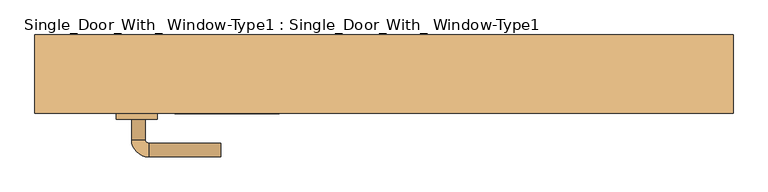
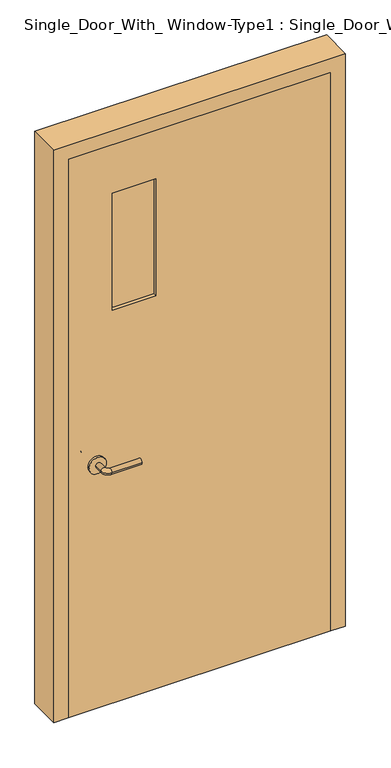
"""IFC4 building model written with IfcOpenShell, lengths in millimetres: door geometry, Single_Door_With_ Window-Type1 : Single_Door_With_ Window-Type1."""

from ifc_helpers import new_model, si_unit, point, frame, frame_2d, origin, place, context, project, spatial, polyline, circle_curve, ellipse_curve, trimmed, segment, composite_curve, outline, extrude, faceted_brep, source, transform, mapped, element, save
from ifc_brep_helpers import plane_surface, cylinder_surface, revolved_surface, advanced_brep


def single_door_with_window_type1_single_door_with_window_type1_6ece31e4(model_context):
    return source(origin(), model_context, "Body", "SolidModel", [
        advanced_brep(
        [(-367.2, -11.05, 900.0), (-347.2, -11.05, 900.0), (-367.2, 18.95, 900.0), (-347.2, 18.95, 900.0), (-342.2, 23.95, 900.0), (-342.2, 43.95, 900.0), (-237.2, 43.95, 900.0), (-237.2, 23.95, 900.0)],
        [
            (0, 1, circle_curve(frame((-357.2, -11.05, 900.0), z_axis=(0.0, -1.0, 0.0), x_axis=(1.0, 0.0, 0.0)), 10.0)),
            (1, 0, circle_curve(frame((-357.2, -11.05, 900.0), z_axis=(0.0, -1.0, 0.0), x_axis=(1.0, 0.0, 0.0)), 10.0)),
            (0, 2),
            (2, 3, circle_curve(frame((-357.2, 18.95, 900.0), z_axis=(0.0, -1.0, 0.0), x_axis=(1.0, 0.0, 0.0)), 10.0)),
            (3, 1),
            (3, 2, circle_curve(frame((-357.2, 18.95, 900.0), z_axis=(0.0, -1.0, 0.0), x_axis=(1.0, 0.0, 0.0)), 10.0)),
            (4, 3, circle_curve(frame((-342.2, 18.95, 900.0), z_axis=(0.0, 0.0, 1.0), x_axis=(-1.0, 0.0, 0.0)), 5.0)),
            (2, 5, circle_curve(frame((-342.2, 18.95, 900.0), z_axis=(0.0, 0.0, -1.0), x_axis=(-1.0, 0.0, 0.0)), 25.0)),
            (5, 4, circle_curve(frame((-342.2, 33.95, 900.0), z_axis=(-1.0, 0.0, 0.0), x_axis=(0.0, -1.0, 0.0)), 10.0)),
            (4, 5, circle_curve(frame((-342.2, 33.95, 900.0), z_axis=(-1.0, 0.0, 0.0), x_axis=(0.0, -1.0, 0.0)), 10.0)),
            (6, 7, circle_curve(frame((-237.2, 33.95, 900.0), z_axis=(1.0, 0.0, 0.0), x_axis=(0.0, -1.0, 0.0)), 10.0)),
            (7, 6, circle_curve(frame((-237.2, 33.95, 900.0), z_axis=(1.0, 0.0, 0.0), x_axis=(0.0, -1.0, 0.0)), 10.0)),
            (5, 6),
            (7, 4),
        ],
        [
            plane_surface(frame((-357.2, -11.05, 900.0), z_axis=(0.0, -1.0, 0.0), x_axis=(0.0, 0.0, 1.0))),
            cylinder_surface(frame((-357.2, -11.05, 900.0), z_axis=(0.0, -1.0, 0.0), x_axis=(1.0, 0.0, 0.0)), 10.0),
            revolved_surface(trimmed(ellipse_curve(frame((-357.2, 18.95, 900.0), z_axis=(0.0, -1.0, 0.0), x_axis=(1.0, 0.0, 0.0)), 10.0, 10.0), [point((-367.2, 18.95, 900.0))], [point((-347.2, 18.95, 900.0))], True, "CARTESIAN"), (-342.2, 18.95, 900.0), (0.0, 0.0, -1.0)),
            revolved_surface(trimmed(ellipse_curve(frame((-357.2, 18.95, 900.0), z_axis=(0.0, -1.0, 0.0), x_axis=(1.0, 0.0, 0.0)), 10.0, 10.0), [point((-347.2, 18.95, 900.0))], [point((-367.2, 18.95, 900.0))], True, "CARTESIAN"), (-342.2, 18.95, 900.0), (0.0, 0.0, -1.0)),
            plane_surface(frame((-237.2, 33.95, 900.0), z_axis=(1.0, 0.0, 0.0), x_axis=(0.0, 0.0, 1.0))),
            cylinder_surface(frame((-342.2, 33.95, 900.0), z_axis=(-1.0, 0.0, 0.0), x_axis=(0.0, -1.0, 0.0)), 10.0),
        ],
        [
            (0, [[1, 2]]),
            (1, [[-1, 3, 4, 5]]),
            (1, [[-2, -5, 6, -3]]),
            (2, [[7, -4, 8, 9]]),
            (3, [[-8, -6, -7, 10]]),
            (4, [[11, 12]]),
            (5, [[-9, 13, -12, 14]]),
            (5, [[-10, -14, -11, -13]]),
        ],
    ),
        extrude(outline(composite_curve([segment(trimmed(circle_curve(frame_2d((900.0, -359.7)), 30.0), [point((900.0, -389.7))], [point((900.0, -329.7))], False, "CARTESIAN"), True, "CONTINUOUS"), segment(trimmed(circle_curve(frame_2d((900.0, -359.7)), 30.0), [point((900.0, -329.7))], [point((900.0, -389.7))], False, "CARTESIAN"), True, "CONTINUOUS")], self_intersect=False)), frame((0.0, -19.05, 0.0), z_axis=(0.0, 1.0, 0.0), x_axis=(0.0, 0.0, 1.0)), (0.0, 0.0, 1.0), 8.0),
        advanced_brep(
        [(-367.2, -65.15, 900.0), (-347.2, -65.15, 900.0), (-347.2, -95.15, 900.0), (-367.2, -95.15, 900.0), (-342.2, -100.15, 900.0), (-342.2, -120.15, 900.0), (-237.2, -120.15, 900.0), (-237.2, -100.15, 900.0)],
        [
            (0, 1, circle_curve(frame((-357.2, -65.15, 900.0), z_axis=(0.0, 1.0, 0.0), x_axis=(1.0, 0.0, 0.0)), 10.0)),
            (1, 0, circle_curve(frame((-357.2, -65.15, 900.0), z_axis=(0.0, 1.0, 0.0), x_axis=(1.0, 0.0, 0.0)), 10.0)),
            (1, 2),
            (2, 3, circle_curve(frame((-357.2, -95.15, 900.0), z_axis=(0.0, 1.0, 0.0), x_axis=(1.0, 0.0, 0.0)), 10.0)),
            (3, 0),
            (3, 2, circle_curve(frame((-357.2, -95.15, 900.0), z_axis=(0.0, 1.0, 0.0), x_axis=(1.0, 0.0, 0.0)), 10.0)),
            (4, 5, circle_curve(frame((-342.2, -110.15, 900.0), z_axis=(-1.0, 0.0, 0.0), x_axis=(0.0, 1.0, 0.0)), 10.0)),
            (5, 3, circle_curve(frame((-342.2, -95.15, 900.0), z_axis=(0.0, 0.0, -1.0), x_axis=(-1.0, 0.0, 0.0)), 25.0)),
            (2, 4, circle_curve(frame((-342.2, -95.15, 900.0), z_axis=(0.0, 0.0, 1.0), x_axis=(-1.0, 0.0, 0.0)), 5.0)),
            (5, 4, circle_curve(frame((-342.2, -110.15, 900.0), z_axis=(-1.0, 0.0, 0.0), x_axis=(0.0, 1.0, 0.0)), 10.0)),
            (6, 7, circle_curve(frame((-237.2, -110.15, 900.0), z_axis=(1.0, 0.0, 0.0), x_axis=(0.0, 1.0, 0.0)), 10.0)),
            (7, 6, circle_curve(frame((-237.2, -110.15, 900.0), z_axis=(1.0, 0.0, 0.0), x_axis=(0.0, 1.0, 0.0)), 10.0)),
            (4, 7),
            (6, 5),
        ],
        [
            plane_surface(frame((-357.2, -65.15, 900.0), z_axis=(0.0, 1.0, 0.0), x_axis=(0.0, 0.0, 1.0))),
            cylinder_surface(frame((-357.2, -65.15, 900.0), z_axis=(0.0, 1.0, 0.0), x_axis=(1.0, 0.0, 0.0)), 10.0),
            revolved_surface(trimmed(ellipse_curve(frame((-357.2, -95.15, 900.0), z_axis=(0.0, -1.0, 0.0), x_axis=(1.0, 0.0, 0.0)), 10.0, 10.0), [point((-367.2, -95.15, 900.0))], [point((-347.2, -95.15, 900.0))], True, "CARTESIAN"), (-342.2, -95.15, 900.0), (0.0, 0.0, -1.0)),
            revolved_surface(trimmed(ellipse_curve(frame((-357.2, -95.15, 900.0), z_axis=(0.0, -1.0, 0.0), x_axis=(1.0, 0.0, 0.0)), 10.0, 10.0), [point((-347.2, -95.15, 900.0))], [point((-367.2, -95.15, 900.0))], True, "CARTESIAN"), (-342.2, -95.15, 900.0), (0.0, 0.0, -1.0)),
            plane_surface(frame((-237.2, -110.15, 900.0), z_axis=(1.0, 0.0, 0.0), x_axis=(0.0, 0.0, 1.0))),
            cylinder_surface(frame((-342.2, -110.15, 900.0), z_axis=(-1.0, 0.0, 0.0), x_axis=(0.0, 1.0, 0.0)), 10.0),
        ],
        [
            (0, [[1, 2]]),
            (1, [[3, 4, 5, -2]]),
            (1, [[-5, 6, -3, -1]]),
            (2, [[7, 8, -4, 9]]),
            (3, [[10, -9, -6, -8]]),
            (4, [[11, 12]]),
            (5, [[13, -11, 14, -7]]),
            (5, [[-14, -12, -13, -10]]),
        ],
    ),
        extrude(outline(composite_curve([segment(trimmed(circle_curve(frame_2d((900.0, -359.7)), 30.0), [point((900.0, -389.7))], [point((900.0, -329.7))], False, "CARTESIAN"), True, "CONTINUOUS"), segment(trimmed(circle_curve(frame_2d((900.0, -359.7)), 30.0), [point((900.0, -329.7))], [point((900.0, -389.7))], False, "CARTESIAN"), True, "CONTINUOUS")], self_intersect=False)), frame((0.0, -65.15, 0.0), z_axis=(0.0, 1.0, 0.0), x_axis=(0.0, 0.0, 1.0)), (0.0, 0.0, 1.0), 8.0),
        faceted_brep([(-508.0, 57.15, 0.0), (-457.2, 57.15, 0.0), (-457.2, 31.75, 0.0), (-444.5, 31.75, 0.0), (-444.5, -19.05, 0.0), (-457.2, -19.05, 0.0), (-457.2, -57.15, 0.0), (-508.0, -57.15, 0.0), (-508.0, -57.15, 2108.2), (-508.0, 57.15, 2108.2), (-457.2, -57.15, 2057.4), (457.2, -57.15, 2057.4), (457.2, -57.15, 0.0), (508.0, -57.15, 0.0), (508.0, -57.15, 2108.2), (-457.2, -19.05, 2057.4), (-444.5, -19.05, 2044.7), (444.5, -19.05, 2044.7), (444.5, -19.05, 0.0), (457.2, -19.05, 0.0), (457.2, -19.05, 2057.4), (-444.5, 31.75, 2044.7), (-457.2, 31.75, 2057.4), (457.2, 31.75, 2057.4), (457.2, 31.75, 0.0), (444.5, 31.75, 0.0), (444.5, 31.75, 2044.7), (-457.2, 57.15, 2057.4), (508.0, 57.15, 2108.2), (508.0, 57.15, 0.0), (457.2, 57.15, 0.0), (457.2, 57.15, 2057.4)], [[[0, 1, 2, 3, 4, 5, 6, 7]], [[7, 8, 9, 0]], [[6, 10, 11, 12, 13, 14, 8, 7]], [[5, 15, 10, 6]], [[4, 16, 17, 18, 19, 20, 15, 5]], [[3, 21, 16, 4]], [[2, 22, 23, 24, 25, 26, 21, 3]], [[1, 27, 22, 2]], [[0, 9, 28, 29, 30, 31, 27, 1]], [[14, 13, 29, 28]], [[29, 13, 12, 19, 18, 25, 24, 30]], [[20, 19, 12, 11]], [[26, 25, 18, 17]], [[31, 30, 24, 23]], [[8, 14, 28, 9]], [[15, 20, 11, 10]], [[21, 26, 17, 16]], [[27, 31, 23, 22]]]),
        extrude(outline(polyline([(2057.4, -457.2), (0.0, -457.2), (0.0, 457.2), (2057.4, 457.2), (2057.4, -457.2)]), holes=[polyline([(1879.6, -304.8), (1879.6, -152.4), (1447.8, -152.4), (1447.8, -304.8), (1879.6, -304.8)])]), frame((0.0, -57.15, 0.0), z_axis=(0.0, 1.0, 0.0), x_axis=(0.0, 0.0, 1.0)), (0.0, 0.0, 1.0), 38.1),
        extrude(outline(polyline([(-152.4, -39.45), (-152.4, -44.45), (-304.8, -44.45), (-304.8, -39.45), (-152.4, -39.45)])), frame((0.0, 0.0, 1447.8), z_axis=(0.0, 0.0, 1.0), x_axis=(1.0, 0.0, 0.0)), (0.0, 0.0, 1.0), 431.8),
    ])


if __name__ == "__main__":
    model = new_model("IFC4")
    model_context = context("Model", 3, world=origin())
    ifc_project = project(units=[si_unit("LENGTHUNIT", "METRE", prefix="MILLI")], contexts=[model_context])
    site = spatial("IfcSite", under=ifc_project)
    building = spatial("IfcBuilding", under=site)
    placement = place(None, origin())
    single_door_with_window_type1_single_door_with_window_type1_shape = single_door_with_window_type1_single_door_with_window_type1_6ece31e4(model_context)
    element("IfcDoor", 1, ObjectType="Single_Door_With_ Window-Type1 : Single_Door_With_ Window-Type1", at=placement, inside=building, context=model_context, shape_type="MappedRepresentation", body=[
        mapped(single_door_with_window_type1_single_door_with_window_type1_shape, transform((0.0, 0.0, 0.0), x_axis=(1.0, 0.0, 0.0), y_axis=(0.0, 1.0, 0.0), z_axis=(0.0, 0.0, 1.0))),
    ])
    save(model, "model.ifc")
